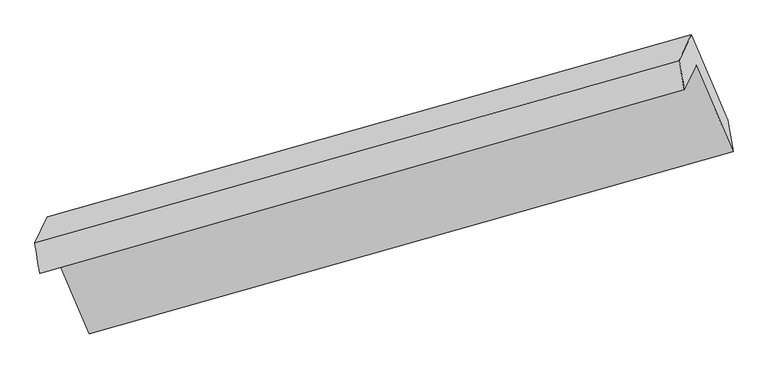
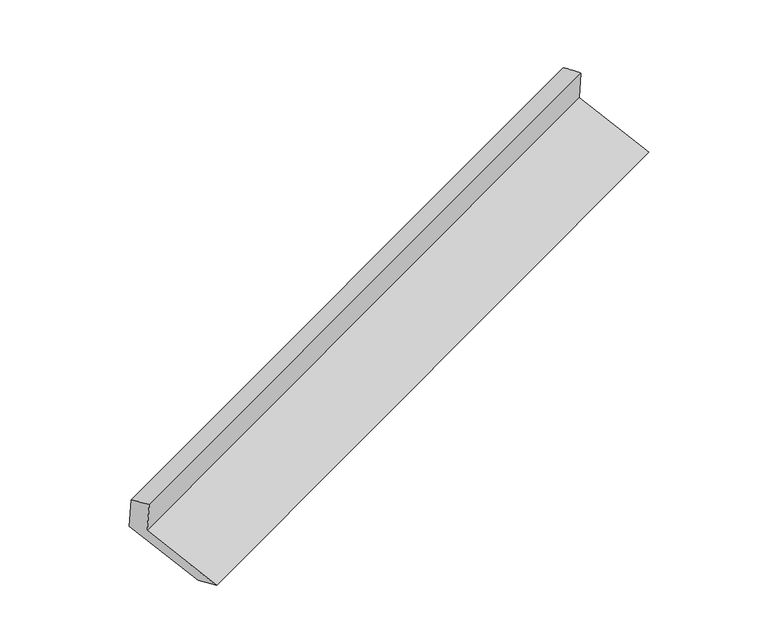
"""IFC4 building model written with IfcOpenShell, lengths in millimetres: proxy geometry."""

from ifc_helpers import new_model, si_unit, frame, origin, place, context, project, spatial, source, transform, mapped, element, save
from ifc_brep_helpers import plane_surface, spline_surface, advanced_brep


def generic_models_a95547e0(model_context):
    return source(origin(), model_context, "Body", "AdvancedBrep", [
        advanced_brep(
        [(-5147.5273554, -2146.9064396, 1495.650989), (-5063.0562953, -1969.7499535, 1125.3943767), (-737.0845032, -745.7892565, 2709.27583), (-815.5083554, -910.2632677, 3053.0261014), (-5179.0440244, -1942.7133071, 1420.9434903), (-851.0564964, -714.5251185, 2995.9894966), (-5094.5729643, -1765.556821, 1050.686878), (-768.6011722, -541.596124, 2634.5683312), (-4849.5450012, -2338.4307298, 832.4853545), (-523.5732091, -1114.4700328, 2416.3668077), (-4814.3167888, -2551.3014284, 903.8876615), (-488.3449967, -1327.3407314, 2487.7691147)],
        [
            (0, 1),
            (1, 2),
            (2, 3),
            (3, 0),
            (4, 0),
            (3, 5),
            (5, 4),
            (6, 4),
            (5, 7),
            (7, 6),
            (8, 6),
            (7, 9),
            (9, 8),
            (10, 8),
            (9, 11),
            (11, 10),
            (1, 10),
            (11, 2),
        ],
        [
            plane_surface(frame((-5105.2918253, -2058.3281965, 1310.5226829), z_axis=(0.3673478359945878, -0.8688453755952862, -0.33190854266918074), x_axis=(0.20157359680840262, 0.4227491647357412, -0.883544695408759))),
            spline_surface(1, 1, [[(-5179.0440244, -1942.7133071, 1420.9434903), (-851.0564964, -714.5251185, 2995.9894966)], [(-5147.5273554, -2146.9064396, 1495.650989), (-815.5083554, -910.2632677, 3053.0261014)]], [2, 2], [2, 2], [0.0, 1.0], [0.0, 1.0]),
            plane_surface(frame((-5136.8084944, -1854.1350641, 1235.8151842), z_axis=(-0.3673478359945841, 0.8688453755952875, 0.3319085426691823), x_axis=(-0.20157359680840253, -0.42274916473574137, 0.883544695408759))),
            plane_surface(frame((-4972.0589827, -2051.9937754, 941.5861163), z_axis=(0.2034747814552188, 0.42329644063803085, -0.8828466099243545), x_axis=(-0.3711543344912435, 0.8677566088709209, 0.3305191790943481))),
            plane_surface(frame((-4831.930895, -2444.8660791, 868.186508), z_axis=(0.3919029205679782, -0.23362208090597986, -0.8898498885561819), x_axis=(-0.15500359713793446, 0.9366278266749708, -0.3141690614500766))),
            plane_surface(frame((-4938.686542, -2260.5256909, 1014.6410191), z_axis=(-0.2034747814552204, -0.4232964406380283, 0.8828466099243553), x_axis=(0.3711543344912488, -0.8677566088709205, -0.33051917909434325))),
            plane_surface(frame((-697.3614555, -892.3307551, 2716.1659469), z_axis=(0.9064284555650739, 0.2613075036734981, 0.3318220056985968), x_axis=(-0.3711543344912435, 0.8677566088709209, 0.3305191790943481))),
            plane_surface(frame((-5024.6770715, -2119.1097799, 1138.1747917), z_axis=(-0.9064284555650742, -0.26130750367349614, -0.33182200569859777), x_axis=(-0.20157359680840423, -0.42274916473574126, 0.8835446954087587))),
        ],
        [
            (0, [[1, 2, 3, 4]]),
            (1, [[5, -4, 6, 7]]),
            (2, [[8, -7, 9, 10]]),
            (3, [[11, -10, 12, 13]]),
            (4, [[14, -13, 15, 16]]),
            (5, [[17, -16, 18, -2]]),
            (6, [[-12, -9, -6, -3, -18, -15]]),
            (7, [[-1, -5, -8, -11, -14, -17]]),
        ],
    ),
    ])


if __name__ == "__main__":
    model = new_model("IFC4")
    model_context = context("Model", 3, world=origin())
    ifc_project = project(units=[si_unit("LENGTHUNIT", "METRE", prefix="MILLI")], contexts=[model_context])
    site = spatial("IfcSite", under=ifc_project)
    building = spatial("IfcBuilding", under=site)
    placement = place(None, origin())
    generic_models_shape = generic_models_a95547e0(model_context)
    element("IfcBuildingElementProxy", 1, Name="Generic Models", at=placement, inside=building, context=model_context, shape_type="MappedRepresentation", body=[
        mapped(generic_models_shape, transform((0.0, 0.0, 0.0), x_axis=(1.0, 0.0, 0.0), y_axis=(0.0, 1.0, 0.0), z_axis=(0.0, 0.0, 1.0))),
    ])
    save(model, "model.ifc")
